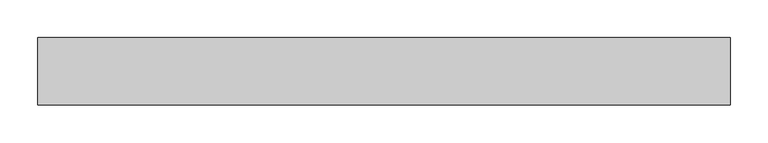
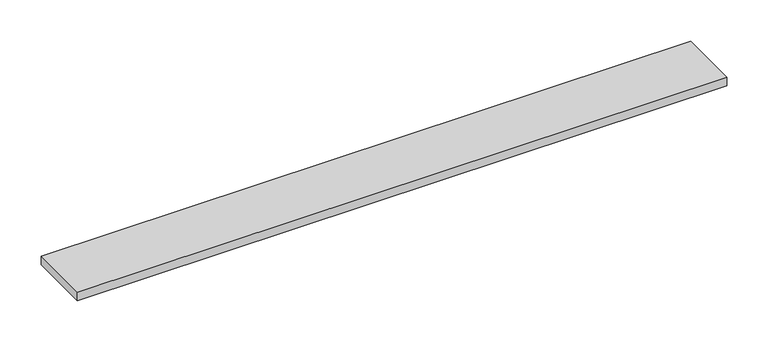
"""IFC4 building model written with IfcOpenShell, lengths in millimetres: furniture geometry."""

from ifc_helpers import new_model, si_unit, frame, origin, place, context, project, spatial, polyline, outline, extrude, source, transform, mapped, element, save


def furniture_f2f49863(model_context):
    return source(origin(), model_context, "Body", "SweptSolid", [
        extrude(outline(polyline([(553.61205, 38.735), (553.61205, -50.165), (-360.78795, -50.165), (-360.78795, 38.735), (553.61205, 38.735)])), frame((0.0, 0.0, 977.9), z_axis=(0.0, 0.0, 1.0), x_axis=(1.0, 0.0, 0.0)), (0.0, 0.0, 1.0), 12.7),
    ])


if __name__ == "__main__":
    model = new_model("IFC4")
    model_context = context("Model", 3, world=origin())
    ifc_project = project(units=[si_unit("LENGTHUNIT", "METRE", prefix="MILLI")], contexts=[model_context])
    site = spatial("IfcSite", under=ifc_project)
    building = spatial("IfcBuilding", under=site)
    placement = place(None, origin())
    furniture_shape = furniture_f2f49863(model_context)
    element("IfcFurniture", 1, at=placement, inside=building, context=model_context, shape_type="MappedRepresentation", body=[
        mapped(furniture_shape, transform((0.0, 0.0, 0.0), x_axis=(1.0, 0.0, 0.0), y_axis=(0.0, 1.0, 0.0), z_axis=(0.0, 0.0, 1.0))),
    ])
    save(model, "model.ifc")
